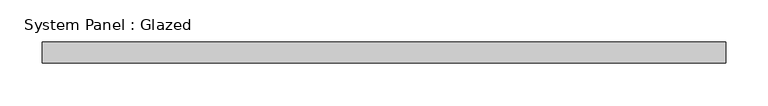
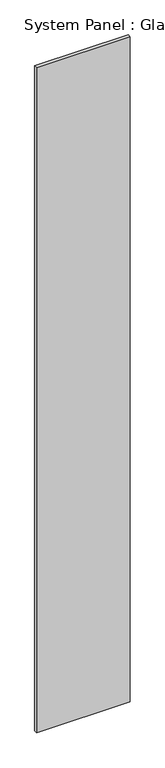
"""IFC4 building model written with IfcOpenShell, lengths in millimetres: plate geometry, System Panel : Glazed."""

from ifc_helpers import new_model, si_unit, origin, origin_with_axes, place, context, project, spatial, polyline, outline, extrude, source, transform, mapped, element, save


def system_panel_glazed_22f62534(model_context):
    return source(origin(), model_context, "Body", "SweptSolid", [
        extrude(outline(polyline([(406.4, 19.05), (-406.4, 19.05), (-406.4, 44.45), (406.4, 44.45), (406.4, 19.05)])), origin_with_axes(), (0.0, 0.0, 1.0), 6096.0),
    ])


if __name__ == "__main__":
    model = new_model("IFC4")
    model_context = context("Model", 3, world=origin())
    ifc_project = project(units=[si_unit("LENGTHUNIT", "METRE", prefix="MILLI")], contexts=[model_context])
    site = spatial("IfcSite", under=ifc_project)
    building = spatial("IfcBuilding", under=site)
    placement = place(None, origin())
    system_panel_glazed_shape = system_panel_glazed_22f62534(model_context)
    element("IfcPlate", 1, ObjectType="System Panel : Glazed", at=placement, inside=building, context=model_context, shape_type="MappedRepresentation", body=[
        mapped(system_panel_glazed_shape, transform((0.0, 0.0, 0.0), x_axis=(1.0, 0.0, 0.0), y_axis=(0.0, 1.0, 0.0), z_axis=(0.0, 0.0, 1.0))),
    ])
    save(model, "model.ifc")
